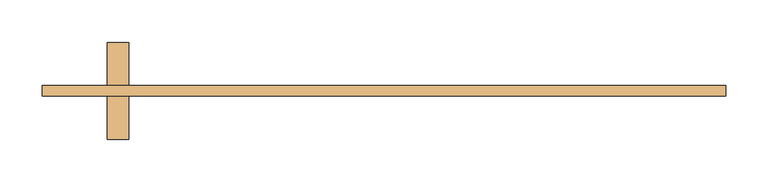
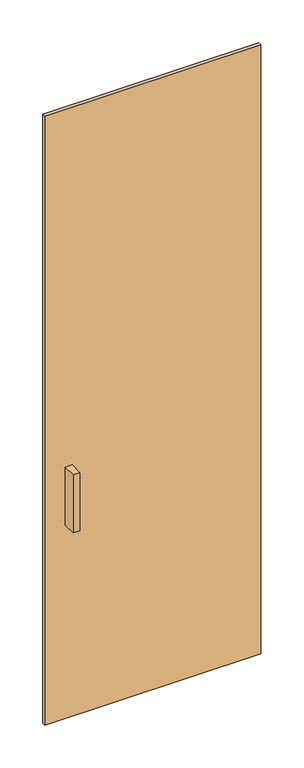
"""IFC4 building model written with IfcOpenShell, lengths in millimetres: door geometry."""

import ifcopenshell
import ifcopenshell.guid

model = None  # the IFC model being written
_history = None  # IfcOwnerHistory: only IFC2X3 demands one
_inside = {}  # id of a spatial element -> (the spatial element, [elements in it])
_under = {}  # id of a project, library or spatial element -> (it, [spatial elements below it])
_declared = {}  # id of a project -> (the project, [libraries it declares])
_typed = {}  # id of a type object -> (the type object, [elements of that type])
_made_of = {}  # id of a material, layer set ... -> (it, [elements and type objects made of it])


def new_model(schema):
    """Start an empty IFC model of exactly this schema.

    Asked for "IFC4X3", IfcOpenShell would pick the latest addendum, in which some entities
    have other attributes; the version numbers below select the first issue.
    IFC2X3 requires an IfcOwnerHistory on every rooted entity: one is made here for all.
    """
    global model, _history
    if schema == "IFC4X3":
        model = ifcopenshell.file(schema_version=(4, 3, 0, 0))
    else:
        model = ifcopenshell.file(schema=schema)
    _inside.clear()
    _under.clear()
    _declared.clear()
    _typed.clear()
    _made_of.clear()
    _history = None
    if model.schema == "IFC2X3":
        org = make("IfcOrganization", Name="unknown")
        user = make(
            "IfcPersonAndOrganization",
            ThePerson=make("IfcPerson", FamilyName="unknown"),
            TheOrganization=org,
        )
        app = make(
            "IfcApplication",
            ApplicationDeveloper=org,
            Version="unknown",
            ApplicationFullName="unknown",
            ApplicationIdentifier="unknown",
        )
        _history = make(
            "IfcOwnerHistory",
            OwningUser=user,
            OwningApplication=app,
            ChangeAction="ADDED",
            CreationDate=0,
        )
    return model


def make(cls, **values):
    """One entity of the class cls with the attributes given. An attribute that is None is left unset."""
    return model.create_entity(
        cls, **{name: value for name, value in values.items() if value is not None}
    )


def rooted(cls, **values):
    """An entity with a GlobalId (a new one), such as an element, a storey or a relation."""
    return make(cls, GlobalId=ifcopenshell.guid.new(), OwnerHistory=_history, **values)


def si_unit(unit_type, name, prefix=None):
    """IfcSIUnit, for example si_unit("LENGTHUNIT", "METRE", prefix="MILLI")."""
    return make("IfcSIUnit", UnitType=unit_type, Prefix=prefix, Name=name)


def assignment(units):
    """IfcUnitAssignment: the units of a project."""
    return None if units is None else make("IfcUnitAssignment", Units=units)


def point(xyz):
    """IfcCartesianPoint."""
    return None if xyz is None else make("IfcCartesianPoint", Coordinates=xyz)


def direction(xyz):
    """IfcDirection."""
    return None if xyz is None else make("IfcDirection", DirectionRatios=xyz)


def frame(location, z_axis=None, x_axis=None):
    """IfcAxis2Placement3D, a coordinate frame: its origin and axes. An axis left out is left unset."""
    return make(
        "IfcAxis2Placement3D",
        Location=point(location),
        Axis=direction(z_axis),
        RefDirection=direction(x_axis),
    )


def origin():
    """The frame at (0, 0, 0) with its axes left unset."""
    return frame((0.0, 0.0, 0.0))


def origin_with_axes():
    """The frame at (0, 0, 0) with the z axis (0, 0, 1) and the x axis (1, 0, 0) written out."""
    return frame((0.0, 0.0, 0.0), z_axis=(0.0, 0.0, 1.0), x_axis=(1.0, 0.0, 0.0))


def place(relative_to, where):
    """IfcLocalPlacement: puts the frame where relative to a parent placement (None: the world)."""
    return make(
        "IfcLocalPlacement", PlacementRelTo=relative_to, RelativePlacement=where
    )


def context(
    kind, dimensions, precision=None, world=None, true_north=None, identifier=None
):
    """IfcGeometricRepresentationContext, for example the 3D "Model" context."""
    return make(
        "IfcGeometricRepresentationContext",
        ContextIdentifier=identifier,
        ContextType=kind,
        CoordinateSpaceDimension=dimensions,
        Precision=precision,
        WorldCoordinateSystem=world,
        TrueNorth=true_north,
    )


def project(units=None, contexts=None):
    """IfcProject with its units and contexts."""
    return rooted(
        "IfcProject",
        Name="project",
        RepresentationContexts=contexts,
        UnitsInContext=assignment(units),
    )


def spatial(cls, under=None, at=None, **own):
    """A site, building, storey or space (cls), placed at a placement, below another one or the project."""
    s = rooted(cls, ObjectPlacement=at, **own)
    if under is not None:
        _under.setdefault(under.id(), (under, []))[1].append(s)
    return s


def polyline(points):
    """IfcPolyline through the points."""
    return make("IfcPolyline", Points=[point(p) for p in points])


def outline(outer, holes=None, kind="AREA"):
    """IfcArbitraryClosedProfileDef: a profile drawn as a closed curve; with holes, ...WithVoids."""
    if holes is None:
        return make("IfcArbitraryClosedProfileDef", ProfileType=kind, OuterCurve=outer)
    return make(
        "IfcArbitraryProfileDefWithVoids",
        ProfileType=kind,
        OuterCurve=outer,
        InnerCurves=holes,
    )


def extrude(swept, where, along, depth):
    """IfcExtrudedAreaSolid: the profile swept, set in the frame where, extruded along a direction by depth."""
    return make(
        "IfcExtrudedAreaSolid",
        SweptArea=swept,
        Position=where,
        ExtrudedDirection=direction(along),
        Depth=depth,
    )


def shape(context_of_items, identifier, shape_type, items):
    """IfcShapeRepresentation: the items that make up one representation, for example the "Body"."""
    return make(
        "IfcShapeRepresentation",
        ContextOfItems=context_of_items,
        RepresentationIdentifier=identifier,
        RepresentationType=shape_type,
        Items=items,
    )


def source(mapping_origin, context_of_items, identifier, shape_type, items):
    """IfcRepresentationMap: a shape defined once, which mapped items show again and again."""
    return make(
        "IfcRepresentationMap",
        MappingOrigin=mapping_origin,
        MappedRepresentation=shape(context_of_items, identifier, shape_type, items),
    )


def transform(
    local_origin,
    x_axis=None,
    y_axis=None,
    z_axis=None,
    scale=None,
    scale2=None,
    scale3=None,
    uniform=True,
):
    """IfcCartesianTransformationOperator3D, or its non-uniform kind. x_axis, y_axis, z_axis: its Axis1, 2, 3."""
    if uniform:
        return make(
            "IfcCartesianTransformationOperator3D",
            Axis1=direction(x_axis),
            Axis2=direction(y_axis),
            LocalOrigin=point(local_origin),
            Scale=scale,
            Axis3=direction(z_axis),
        )
    return make(
        "IfcCartesianTransformationOperator3DnonUniform",
        Axis1=direction(x_axis),
        Axis2=direction(y_axis),
        LocalOrigin=point(local_origin),
        Scale=scale,
        Axis3=direction(z_axis),
        Scale2=scale2,
        Scale3=scale3,
    )


def mapped(mapping_source, mapping_target):
    """IfcMappedItem: shows the shape of a source again, moved by a transform."""
    return make(
        "IfcMappedItem", MappingSource=mapping_source, MappingTarget=mapping_target
    )


def made_of(thing, what):
    """Note that an element or type object is made of a material, layer set ...; save() writes the relation."""
    if what is not None:
        _made_of.setdefault(what.id(), (what, []))[1].append(thing)
    return thing


def element(
    cls,
    number,
    at=None,
    inside=None,
    cuts=None,
    type_object=None,
    material=None,
    context=None,
    identifier="Body",
    shape_type=None,
    held_by="IfcProductDefinitionShape",
    body=None,
    shapes=None,
    **own,
):
    """One element of the class cls, such as IfcWall. Its Tag is "e" and its number.

    at: its placement. inside: the storey or other place that contains it. cuts: it is an
    opening in that element (IfcRelVoidsElement). A single representation is given by context,
    identifier, shape_type and body (its items); several are given by shapes. held_by: the class
    of the entity that holds the representations. save() writes the other relations.
    """
    e = rooted(cls, Tag="e%d" % number, ObjectPlacement=at, **own)
    if body is not None:
        shapes = [shape(context, identifier, shape_type, body)]
    if shapes is not None:
        e.Representation = make(held_by, Representations=shapes)
    if inside is not None:
        _inside.setdefault(inside.id(), (inside, []))[1].append(e)
    if cuts is not None:
        rooted(
            "IfcRelVoidsElement", RelatingBuildingElement=cuts, RelatedOpeningElement=e
        )
    if type_object is not None:
        _typed.setdefault(type_object.id(), (type_object, []))[1].append(e)
    return made_of(e, material)


def aggregate(whole, parts):
    """IfcRelAggregates: a whole, such as a stair, and the parts it consists of."""
    return rooted("IfcRelAggregates", RelatingObject=whole, RelatedObjects=parts)


def save(model, path):
    """Write the relations noted so far, then the file.

    IfcRelAggregates (storeys below a building ...), IfcRelContainedInSpatialStructure (elements
    in a storey), IfcRelDefinesByType, IfcRelAssociatesMaterial and IfcRelDeclares: one each for
    every whole, place, type object, material and project.
    """
    for whole, parts in _under.values():
        aggregate(whole, parts)
    for where, things in _inside.values():
        rooted(
            "IfcRelContainedInSpatialStructure",
            RelatedElements=things,
            RelatingStructure=where,
        )
    for kind, things in _typed.values():
        rooted("IfcRelDefinesByType", RelatedObjects=things, RelatingType=kind)
    for what, things in _made_of.values():
        rooted("IfcRelAssociatesMaterial", RelatedObjects=things, RelatingMaterial=what)
    for by, libraries in _declared.values():
        rooted("IfcRelDeclares", RelatingContext=by, RelatedDefinitions=libraries)
    model.write(path)


def door_a386733b(model_context):
    return source(origin(), model_context, "Body", "SweptSolid", [
        extrude(outline(polyline([(-300.9, -12.5), (-326.3, -12.5), (-326.3, 38.3), (-300.9, 38.3), (-300.9, -12.5)])), frame((0.0, 0.0, 762.0), z_axis=(0.0, 0.0, 1.0), x_axis=(1.0, 0.0, 0.0)), (0.0, 0.0, 1.0), 228.6),
        extrude(outline(polyline([(-326.3, 101.8), (-300.9, 101.8), (-300.9, 51.0), (-326.3, 51.0), (-326.3, 101.8)])), frame((0.0, 0.0, 762.0), z_axis=(0.0, 0.0, 1.0), x_axis=(1.0, 0.0, 0.0)), (0.0, 0.0, 1.0), 228.6),
        extrude(outline(polyline([(402.5, 51.0), (402.5, 38.3), (-402.5, 38.3), (-402.5, 51.0), (402.5, 51.0)])), origin_with_axes(), (0.0, 0.0, 1.0), 2400.0),
    ])


if __name__ == "__main__":
    model = new_model("IFC4")
    model_context = context("Model", 3, world=origin())
    ifc_project = project(units=[si_unit("LENGTHUNIT", "METRE", prefix="MILLI")], contexts=[model_context])
    site = spatial("IfcSite", under=ifc_project)
    building = spatial("IfcBuilding", under=site)
    placement = place(None, origin())
    door_shape = door_a386733b(model_context)
    element("IfcDoor", 1, at=placement, inside=building, context=model_context, shape_type="MappedRepresentation", body=[
        mapped(door_shape, transform((0.0, 0.0, 0.0), x_axis=(1.0, 0.0, 0.0), y_axis=(0.0, 1.0, 0.0), z_axis=(0.0, 0.0, 1.0))),
    ])
    save(model, "model.ifc")
